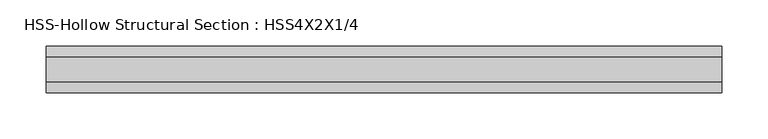
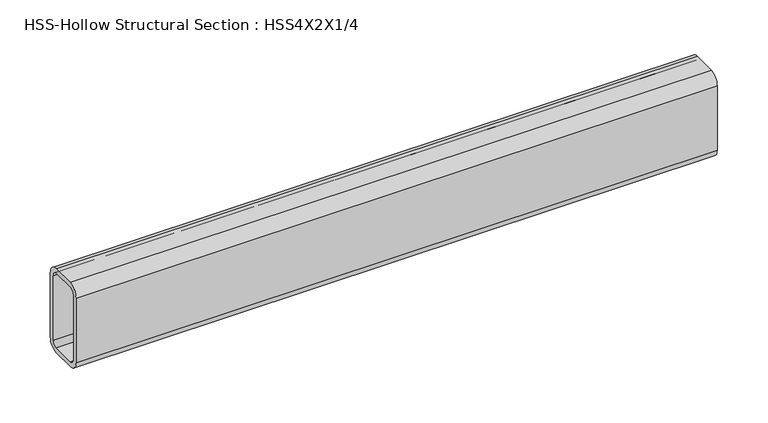
"""IFC4 building model written with IfcOpenShell, lengths in millimetres: beam geometry, HSS-Hollow Structural Section : HSS4X2X1/4."""

from ifc_helpers import new_model, si_unit, point, frame, frame_2d, origin, place, context, project, spatial, polyline, circle_curve, trimmed, segment, composite_curve, outline, extrude, source, transform, mapped, element, save


def hss_hollow_structural_section_hss4x2x1_4_2dcf6978(model_context):
    return source(origin(), model_context, "Body", "SweptSolid", [
        extrude(outline(composite_curve([segment(polyline([(25.4, 38.9636), (25.4, -38.9636)]), True, "CONTINUOUS"), segment(trimmed(circle_curve(frame_2d((13.5636, -38.9636)), 11.8364), [point((25.4, -38.9636))], [point((13.5636, -50.8))], False, "CARTESIAN"), True, "CONTINUOUS"), segment(polyline([(13.5636, -50.8), (-13.5636, -50.8)]), True, "CONTINUOUS"), segment(trimmed(circle_curve(frame_2d((-13.5636, -38.9636)), 11.8364), [point((-13.5636, -50.8))], [point((-25.4, -38.9636))], False, "CARTESIAN"), True, "CONTINUOUS"), segment(polyline([(-25.4, -38.9636), (-25.4, 38.9636)]), True, "CONTINUOUS"), segment(trimmed(circle_curve(frame_2d((-13.5636, 38.9636)), 11.8364), [point((-25.4, 38.9636))], [point((-13.5636, 50.8))], False, "CARTESIAN"), True, "CONTINUOUS"), segment(polyline([(-13.5636, 50.8), (13.5636, 50.8)]), True, "CONTINUOUS"), segment(trimmed(circle_curve(frame_2d((13.5636, 38.9636)), 11.8364), [point((13.5636, 50.8))], [point((25.4, 38.9636))], False, "CARTESIAN"), True, "CONTINUOUS")], self_intersect=False), holes=[composite_curve([segment(trimmed(circle_curve(frame_2d((-13.5636, 38.9636)), 5.9182), [point((-13.5636, 44.8818))], [point((-19.4818, 38.9636))], True, "CARTESIAN"), True, "CONTINUOUS"), segment(polyline([(-19.4818, 38.9636), (-19.4818, -38.9636)]), True, "CONTINUOUS"), segment(trimmed(circle_curve(frame_2d((-13.5636, -38.9636)), 5.9182), [point((-19.4818, -38.9636))], [point((-13.5636, -44.8818))], True, "CARTESIAN"), True, "CONTINUOUS"), segment(polyline([(-13.5636, -44.8818), (13.5636, -44.8818)]), True, "CONTINUOUS"), segment(trimmed(circle_curve(frame_2d((13.5636, -38.9636)), 5.9182), [point((13.5636, -44.8818))], [point((19.4818, -38.9636))], True, "CARTESIAN"), True, "CONTINUOUS"), segment(polyline([(19.4818, -38.9636), (19.4818, 38.9636)]), True, "CONTINUOUS"), segment(trimmed(circle_curve(frame_2d((13.5636, 38.9636)), 5.9182), [point((19.4818, 38.9636))], [point((13.5636, 44.8818))], True, "CARTESIAN"), True, "CONTINUOUS"), segment(polyline([(13.5636, 44.8818), (-13.5636, 44.8818)]), True, "CONTINUOUS")], self_intersect=False)]), frame((-354.2019477, 0.0, 0.0), z_axis=(1.0, 0.0, 0.0), x_axis=(0.0, 1.0, 0.0)), (0.0, 0.0, 1.0), 733.7566173),
    ])


if __name__ == "__main__":
    model = new_model("IFC4")
    model_context = context("Model", 3, world=origin())
    ifc_project = project(units=[si_unit("LENGTHUNIT", "METRE", prefix="MILLI")], contexts=[model_context])
    site = spatial("IfcSite", under=ifc_project)
    building = spatial("IfcBuilding", under=site)
    placement = place(None, origin())
    hss_hollow_structural_section_hss4x2x1_4_shape = hss_hollow_structural_section_hss4x2x1_4_2dcf6978(model_context)
    element("IfcBeam", 1, ObjectType="HSS-Hollow Structural Section : HSS4X2X1/4", at=placement, inside=building, context=model_context, shape_type="MappedRepresentation", body=[
        mapped(hss_hollow_structural_section_hss4x2x1_4_shape, transform((0.0, 0.0, 0.0), x_axis=(1.0, 0.0, 0.0), y_axis=(0.0, 1.0, 0.0), z_axis=(0.0, 0.0, 1.0))),
    ])
    save(model, "model.ifc")
